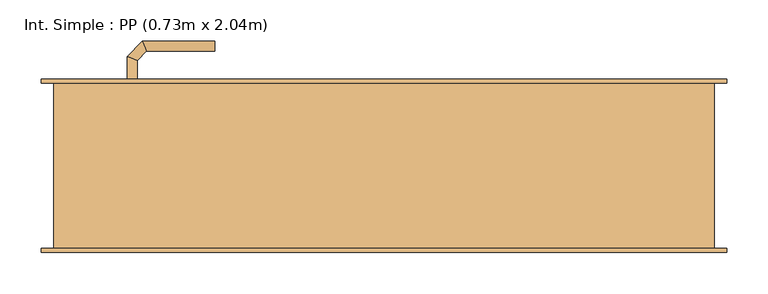
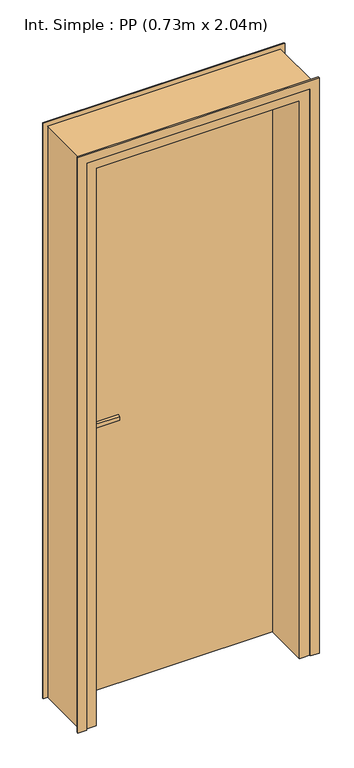
"""IFC4 building model written with IfcOpenShell, lengths in millimetres: door geometry, Int. Simple : PP (0.73m x 2.04m)."""

from ifc_helpers import new_model, si_unit, point, frame, frame_2d, origin, origin_with_axes, place, context, project, spatial, polyline, circle_curve, ellipse_curve, trimmed, segment, composite_curve, outline, extrude, faceted_brep, source, transform, mapped, element, save
from ifc_brep_helpers import plane_surface, cylinder_surface, advanced_brep


def int_simple_pp_0_73m_x_2_04m_f08aa4ce(model_context):
    return source(origin(), model_context, "Body", "SolidModel", [
        extrude(outline(composite_curve([segment(trimmed(circle_curve(frame_2d((904.6410162, -340.0)), 40.0), [point((870.0, -360.0))], [point((870.0, -320.0))], False, "CARTESIAN"), True, "CONTINUOUS"), segment(polyline([(870.0, -320.0), (1080.0, -320.0)]), True, "CONTINUOUS"), segment(trimmed(circle_curve(frame_2d((1045.3589838, -340.0)), 40.0), [point((1080.0, -320.0))], [point((1080.0, -360.0))], False, "CARTESIAN"), True, "CONTINUOUS"), segment(polyline([(1080.0, -360.0), (870.0, -360.0)]), True, "CONTINUOUS")], self_intersect=False)), frame((0.0, 100.0, 0.0), z_axis=(0.0, 1.0, 0.0), x_axis=(0.0, 0.0, 1.0)), (0.0, 0.0, 1.0), 5.0),
        extrude(outline(composite_curve([segment(trimmed(circle_curve(frame_2d((1045.3589838, -340.0)), 40.0), [point((1080.0, -320.0))], [point((1080.0, -360.0))], False, "CARTESIAN"), True, "CONTINUOUS"), segment(polyline([(1080.0, -360.0), (870.0, -360.0)]), True, "CONTINUOUS"), segment(trimmed(circle_curve(frame_2d((904.6410162, -340.0)), 40.0), [point((870.0, -360.0))], [point((870.0, -320.0))], False, "CARTESIAN"), True, "CONTINUOUS"), segment(polyline([(870.0, -320.0), (1080.0, -320.0)]), True, "CONTINUOUS")], self_intersect=False)), frame((0.0, 55.0, 0.0), z_axis=(0.0, 1.0, 0.0), x_axis=(0.0, 0.0, 1.0)), (0.0, 0.0, 1.0), 5.0),
        advanced_brep(
        [(-346.0, 105.0, 1007.0), (-346.0, 105.0, 993.0), (-334.0, 105.0, 993.0), (-334.0, 105.0, 1007.0), (-334.0, 127.680388, 1007.0), (-346.0, 132.6509507, 1007.0), (-334.0, 127.680388, 993.0), (-346.0, 132.6509507, 993.0), (-322.6522273, 139.0281607, 1007.0), (-327.62279, 151.0281607, 1007.0), (-322.6522273, 139.0281607, 993.0), (-327.62279, 151.0281607, 993.0), (-239.9813594, 151.0281607, 1007.0), (-239.9813594, 139.0281607, 1007.0), (-239.9813594, 139.0281607, 993.0), (-239.9813594, 151.0281607, 993.0)],
        [
            (0, 1),
            (1, 2, circle_curve(frame((-340.0, 105.0, 1013.0457722), z_axis=(0.0, -1.0, 0.0), x_axis=(1.0, 0.0, 0.0)), 20.9244589)),
            (2, 3),
            (3, 0, circle_curve(frame((-340.0, 105.0, 986.9542278), z_axis=(0.0, -1.0, 0.0), x_axis=(1.0, 0.0, 0.0)), 20.9244589)),
            (3, 4),
            (4, 5, ellipse_curve(frame((-340.0, 130.1656693, 986.9542278), z_axis=(-0.3826834323651126, -0.9238795325112773, 0.0), x_axis=(0.9238795325112775, -0.38268343236511254, 0.0)), 22.6484711, 20.9244589)),
            (5, 0),
            (2, 6),
            (6, 4),
            (1, 7),
            (7, 6, ellipse_curve(frame((-340.0, 130.1656693, 1013.0457722), z_axis=(-0.3826834323651126, -0.9238795325112773, 0.0), x_axis=(0.9238795325112775, -0.38268343236511254, 0.0)), 22.6484711, 20.9244589)),
            (5, 7),
            (4, 8),
            (8, 9, ellipse_curve(frame((-325.1375086, 145.0281607, 986.9542278), z_axis=(-0.9238795325112962, -0.38268343236506686, 0.0), x_axis=(0.3826834323650665, -0.9238795325112965, 0.0)), 22.6484711, 20.9244589)),
            (9, 5),
            (6, 10),
            (10, 8),
            (7, 11),
            (11, 10, ellipse_curve(frame((-325.1375086, 145.0281607, 1013.0457722), z_axis=(-0.9238795325112962, -0.38268343236506686, 0.0), x_axis=(0.3826834323650665, -0.9238795325112965, 0.0)), 22.6484711, 20.9244589)),
            (9, 11),
            (12, 13, circle_curve(frame((-239.9813594, 145.0281607, 986.9542278), z_axis=(1.0, 0.0, 0.0), x_axis=(0.0, -1.0, 0.0)), 20.9244589)),
            (13, 14),
            (14, 15, circle_curve(frame((-239.9813594, 145.0281607, 1013.0457722), z_axis=(1.0, 0.0, 0.0), x_axis=(0.0, -1.0, 0.0)), 20.9244589)),
            (15, 12),
            (8, 13),
            (12, 9),
            (10, 14),
            (11, 15),
        ],
        [
            plane_surface(frame((-349.2195445, 105.0, 1000.0), z_axis=(0.0, -1.0, 0.0), x_axis=(0.0, 0.0, -1.0))),
            cylinder_surface(frame((-340.0, 105.0, 986.9542278), z_axis=(0.0, -1.0, 0.0), x_axis=(1.0, 0.0, 0.0)), 20.9244589),
            plane_surface(frame((-334.0, 105.0, 1007.0), z_axis=(1.0, 0.0, 0.0), x_axis=(0.0, 1.0, 0.0))),
            cylinder_surface(frame((-340.0, 105.0, 1013.0457722), z_axis=(0.0, -1.0, 0.0), x_axis=(1.0, 0.0, 0.0)), 20.9244589),
            plane_surface(frame((-346.0, 105.0, 993.0), z_axis=(-1.0, 0.0, 0.0), x_axis=(0.0, 1.0, 0.0))),
            cylinder_surface(frame((-340.0, 130.1656693, 986.9542278), z_axis=(-0.7071067811865798, -0.7071067811865152, 0.0), x_axis=(0.7071067811865152, -0.7071067811865798, 0.0)), 20.9244589),
            plane_surface(frame((-334.0, 127.680388, 1007.0), z_axis=(0.7071067811865152, -0.7071067811865799, 0.0), x_axis=(0.7071067811865799, 0.7071067811865152, 0.0))),
            cylinder_surface(frame((-340.0, 130.1656693, 1013.0457722), z_axis=(-0.7071067811865798, -0.7071067811865152, 0.0), x_axis=(0.7071067811865152, -0.7071067811865798, 0.0)), 20.9244589),
            plane_surface(frame((-346.0, 132.6509507, 993.0), z_axis=(-0.7071067811865152, 0.7071067811865799, 0.0), x_axis=(0.7071067811865799, 0.7071067811865152, 0.0))),
            plane_surface(frame((-239.9813594, 145.0281607, 990.7804555), z_axis=(1.0, 0.0, 0.0), x_axis=(0.0, -1.0, 0.0))),
            cylinder_surface(frame((-325.1375086, 145.0281607, 986.9542278), z_axis=(-1.0, 0.0, 0.0), x_axis=(0.0, -1.0, 0.0)), 20.9244589),
            plane_surface(frame((-322.6522273, 139.0281607, 1007.0), z_axis=(0.0, -1.0, 0.0), x_axis=(1.0, 0.0, 0.0))),
            cylinder_surface(frame((-325.1375086, 145.0281607, 1013.0457722), z_axis=(-1.0, 0.0, 0.0), x_axis=(0.0, -1.0, 0.0)), 20.9244589),
            plane_surface(frame((-327.62279, 151.0281607, 993.0), z_axis=(0.0, 1.0, 0.0), x_axis=(1.0, 0.0, 0.0))),
        ],
        [
            (0, [[1, 2, 3, 4]]),
            (1, [[5, 6, 7, -4]]),
            (2, [[8, 9, -5, -3]]),
            (3, [[10, 11, -8, -2]]),
            (4, [[-7, 12, -10, -1]]),
            (5, [[13, 14, 15, -6]]),
            (6, [[16, 17, -13, -9]]),
            (7, [[18, 19, -16, -11]]),
            (8, [[-15, 20, -18, -12]]),
            (9, [[21, 22, 23, 24]]),
            (10, [[25, -21, 26, -14]]),
            (11, [[27, -22, -25, -17]]),
            (12, [[28, -23, -27, -19]]),
            (13, [[-26, -24, -28, -20]]),
        ],
    ),
        advanced_brep(
        [(-334.0, 55.0, 993.0), (-346.0, 55.0, 993.0), (-346.0, 55.0, 1007.0), (-334.0, 55.0, 1007.0), (-334.0, 32.5147955, 1007.0), (-334.0, 32.5147955, 993.0), (-346.0, 27.5442327, 1007.0), (-346.0, 27.5442327, 993.0), (-322.5147186, 21.0295141, 1007.0), (-322.5147186, 21.0295141, 993.0), (-327.4852814, 9.0295141, 1007.0), (-327.4852814, 9.0295141, 993.0), (-239.9542163, 21.0295141, 993.0), (-239.9542163, 21.0295141, 1007.0), (-239.9542163, 9.0295141, 1007.0), (-239.9542163, 9.0295141, 993.0)],
        [
            (0, 1, circle_curve(frame((-340.0, 55.0, 1013.0457722), z_axis=(0.0, 1.0, 0.0), x_axis=(-1.0, 0.0, 0.0)), 20.9244589)),
            (1, 2),
            (2, 3, circle_curve(frame((-340.0, 55.0, 986.9542278), z_axis=(0.0, 1.0, 0.0), x_axis=(-1.0, 0.0, 0.0)), 20.9244589)),
            (3, 0),
            (3, 4),
            (4, 5),
            (5, 0),
            (2, 6),
            (6, 4, ellipse_curve(frame((-340.0, 30.0295141, 986.9542278), z_axis=(-0.3826834323651055, 0.9238795325112801, 0.0), x_axis=(0.9238795325112799, 0.3826834323651064, 0.0)), 22.6484711, 20.9244589)),
            (1, 7),
            (7, 6),
            (5, 7, ellipse_curve(frame((-340.0, 30.0295141, 1013.0457722), z_axis=(-0.3826834323651055, 0.9238795325112801, 0.0), x_axis=(0.9238795325112799, 0.3826834323651064, 0.0)), 22.6484711, 20.9244589)),
            (4, 8),
            (8, 9),
            (9, 5),
            (6, 10),
            (10, 8, ellipse_curve(frame((-325.0, 15.0295141, 986.9542278), z_axis=(-0.9238795325112932, 0.382683432365074, 0.0), x_axis=(0.3826834323650737, 0.9238795325112934, 0.0)), 22.6484711, 20.9244589)),
            (7, 11),
            (11, 10),
            (9, 11, ellipse_curve(frame((-325.0, 15.0295141, 1013.0457722), z_axis=(-0.9238795325112932, 0.382683432365074, 0.0), x_axis=(0.3826834323650737, 0.9238795325112934, 0.0)), 22.6484711, 20.9244589)),
            (12, 13),
            (13, 14, circle_curve(frame((-239.9542163, 15.0295141, 986.9542278), z_axis=(1.0, 0.0, 0.0), x_axis=(0.0, -1.0, 0.0)), 20.9244589)),
            (14, 15),
            (15, 12, circle_curve(frame((-239.9542163, 15.0295141, 1013.0457722), z_axis=(1.0, 0.0, 0.0), x_axis=(0.0, -1.0, 0.0)), 20.9244589)),
            (8, 13),
            (12, 9),
            (10, 14),
            (11, 15),
        ],
        [
            plane_surface(frame((-349.2195445, 55.0, 1000.0), z_axis=(0.0, 1.0, 0.0), x_axis=(0.0, 0.0, 1.0))),
            plane_surface(frame((-334.0, 55.0, 993.0), z_axis=(1.0, 0.0, 0.0), x_axis=(0.0, -1.0, 0.0))),
            cylinder_surface(frame((-340.0, 55.0, 986.9542278), z_axis=(0.0, 1.0, 0.0), x_axis=(-1.0, 0.0, 0.0)), 20.9244589),
            plane_surface(frame((-346.0, 55.0, 1007.0), z_axis=(-1.0, 0.0, 0.0), x_axis=(0.0, -1.0, 0.0))),
            cylinder_surface(frame((-340.0, 55.0, 1013.0457722), z_axis=(0.0, 1.0, 0.0), x_axis=(-1.0, 0.0, 0.0)), 20.9244589),
            plane_surface(frame((-334.0, 32.5147955, 993.0), z_axis=(0.7071067811865208, 0.7071067811865742, 0.0), x_axis=(0.7071067811865742, -0.7071067811865208, 0.0))),
            cylinder_surface(frame((-340.0, 30.0295141, 986.9542278), z_axis=(-0.7071067811865742, 0.7071067811865208, 0.0), x_axis=(-0.7071067811865208, -0.7071067811865742, 0.0)), 20.9244589),
            plane_surface(frame((-346.0, 27.5442327, 1007.0), z_axis=(-0.7071067811865209, -0.7071067811865741, 0.0), x_axis=(0.7071067811865741, -0.7071067811865209, 0.0))),
            cylinder_surface(frame((-340.0, 30.0295141, 1013.0457722), z_axis=(-0.7071067811865742, 0.7071067811865208, 0.0), x_axis=(-0.7071067811865208, -0.7071067811865742, 0.0)), 20.9244589),
            plane_surface(frame((-239.9542163, 15.0295141, 990.7804555), z_axis=(1.0, 0.0, 0.0), x_axis=(0.0, -1.0, 0.0))),
            plane_surface(frame((-322.5147186, 21.0295141, 993.0), z_axis=(0.0, 1.0, 0.0), x_axis=(1.0, 0.0, 0.0))),
            cylinder_surface(frame((-325.0, 15.0295141, 986.9542278), z_axis=(-1.0, 0.0, 0.0), x_axis=(0.0, -1.0, 0.0)), 20.9244589),
            plane_surface(frame((-327.4852814, 9.0295141, 1007.0), z_axis=(0.0, -1.0, 0.0), x_axis=(1.0, 0.0, 0.0))),
            cylinder_surface(frame((-325.0, 15.0295141, 1013.0457722), z_axis=(-1.0, 0.0, 0.0), x_axis=(0.0, -1.0, 0.0)), 20.9244589),
        ],
        [
            (0, [[1, 2, 3, 4]]),
            (1, [[5, 6, 7, -4]]),
            (2, [[8, 9, -5, -3]]),
            (3, [[10, 11, -8, -2]]),
            (4, [[-7, 12, -10, -1]]),
            (5, [[13, 14, 15, -6]]),
            (6, [[16, 17, -13, -9]]),
            (7, [[18, 19, -16, -11]]),
            (8, [[-15, 20, -18, -12]]),
            (9, [[21, 22, 23, 24]]),
            (10, [[25, -21, 26, -14]]),
            (11, [[27, -22, -25, -17]]),
            (12, [[28, -23, -27, -19]]),
            (13, [[-26, -24, -28, -20]]),
        ],
    ),
        extrude(outline(polyline([(-400.0, 60.0), (-400.0, 100.0), (330.0, 100.0), (330.0, 60.0), (-400.0, 60.0)])), origin_with_axes(), (0.0, 0.0, 1.0), 2040.0),
        faceted_brep([(-435.0, 100.0, 0.0), (-400.0, 100.0, 0.0), (-400.0, 60.0, 0.0), (-385.0, 60.0, 0.0), (-385.0, -100.0, 0.0), (-435.0, -100.0, 0.0), (-435.0, -100.0, 2075.0), (-435.0, 100.0, 2075.0), (-385.0, -100.0, 2025.0), (315.0, -100.0, 2025.0), (315.0, -100.0, 0.0), (365.0, -100.0, 0.0), (365.0, -100.0, 2075.0), (-385.0, 60.0, 2025.0), (-400.0, 60.0, 2040.0), (330.0, 60.0, 2040.0), (330.0, 60.0, 0.0), (315.0, 60.0, 0.0), (315.0, 60.0, 2025.0), (-400.0, 100.0, 2040.0), (365.0, 100.0, 2075.0), (365.0, 100.0, 0.0), (330.0, 100.0, 0.0), (330.0, 100.0, 2040.0)], [[[0, 1, 2, 3, 4, 5]], [[5, 6, 7, 0]], [[4, 8, 9, 10, 11, 12, 6, 5]], [[3, 13, 8, 4]], [[2, 14, 15, 16, 17, 18, 13, 3]], [[1, 19, 14, 2]], [[0, 7, 20, 21, 22, 23, 19, 1]], [[12, 11, 21, 20]], [[21, 11, 10, 17, 16, 22]], [[18, 17, 10, 9]], [[23, 22, 16, 15]], [[6, 12, 20, 7]], [[13, 18, 9, 8]], [[19, 23, 15, 14]]]),
        extrude(outline(polyline([(0.0, -420.0), (2060.0, -420.0), (2060.0, 350.0), (0.0, 350.0), (0.0, 380.0), (2090.0, 380.0), (2090.0, -450.0), (0.0, -450.0), (0.0, -420.0)])), frame((0.0, 100.0, 0.0), z_axis=(0.0, 1.0, 0.0), x_axis=(0.0, 0.0, 1.0)), (0.0, 0.0, 1.0), 5.0),
        extrude(outline(polyline([(0.0, -420.0), (2060.0, -420.0), (2060.0, 350.0), (0.0, 350.0), (0.0, 380.0), (2090.0, 380.0), (2090.0, -450.0), (0.0, -450.0), (0.0, -420.0)])), frame((0.0, -105.0, 0.0), z_axis=(0.0, 1.0, 0.0), x_axis=(0.0, 0.0, 1.0)), (0.0, 0.0, 1.0), 5.0),
    ])


if __name__ == "__main__":
    model = new_model("IFC4")
    model_context = context("Model", 3, world=origin())
    ifc_project = project(units=[si_unit("LENGTHUNIT", "METRE", prefix="MILLI")], contexts=[model_context])
    site = spatial("IfcSite", under=ifc_project)
    building = spatial("IfcBuilding", under=site)
    placement = place(None, origin())
    int_simple_pp_0_73m_x_2_04m_shape = int_simple_pp_0_73m_x_2_04m_f08aa4ce(model_context)
    element("IfcDoor", 1, ObjectType="Int. Simple : PP (0.73m x 2.04m)", at=placement, inside=building, context=model_context, shape_type="MappedRepresentation", body=[
        mapped(int_simple_pp_0_73m_x_2_04m_shape, transform((0.0, 0.0, 0.0), x_axis=(1.0, 0.0, 0.0), y_axis=(0.0, 1.0, 0.0), z_axis=(0.0, 0.0, 1.0))),
    ])
    save(model, "model.ifc")
